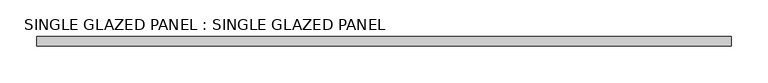
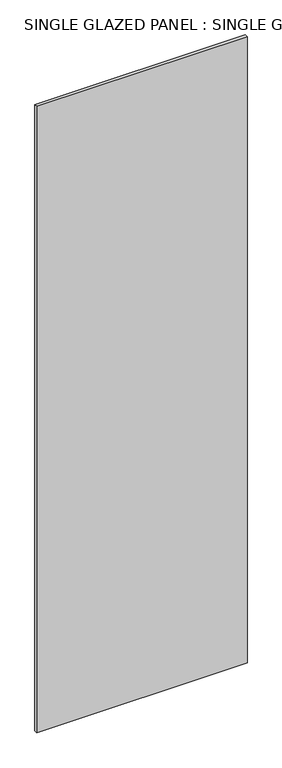
"""IFC4 building model written with IfcOpenShell, lengths in millimetres: plate geometry, SINGLE GLAZED PANEL : SINGLE GLAZED PANEL."""

from ifc_helpers import new_model, si_unit, origin, origin_with_axes, place, context, project, spatial, polyline, outline, extrude, source, transform, mapped, element, save


def single_glazed_panel_single_glazed_panel_78181897(model_context):
    return source(origin(), model_context, "Body", "SweptSolid", [
        extrude(outline(polyline([(471.4875, 6.35), (471.4875, -6.35), (-471.4875, -6.35), (-471.4875, 6.35), (471.4875, 6.35)])), origin_with_axes(), (0.0, 0.0, 1.0), 2968.625),
    ])


if __name__ == "__main__":
    model = new_model("IFC4")
    model_context = context("Model", 3, world=origin())
    ifc_project = project(units=[si_unit("LENGTHUNIT", "METRE", prefix="MILLI")], contexts=[model_context])
    site = spatial("IfcSite", under=ifc_project)
    building = spatial("IfcBuilding", under=site)
    placement = place(None, origin())
    single_glazed_panel_single_glazed_panel_shape = single_glazed_panel_single_glazed_panel_78181897(model_context)
    element("IfcPlate", 1, ObjectType="SINGLE GLAZED PANEL : SINGLE GLAZED PANEL", at=placement, inside=building, context=model_context, shape_type="MappedRepresentation", body=[
        mapped(single_glazed_panel_single_glazed_panel_shape, transform((0.0, 0.0, 0.0), x_axis=(1.0, 0.0, 0.0), y_axis=(0.0, 1.0, 0.0), z_axis=(0.0, 0.0, 1.0))),
    ])
    save(model, "model.ifc")
